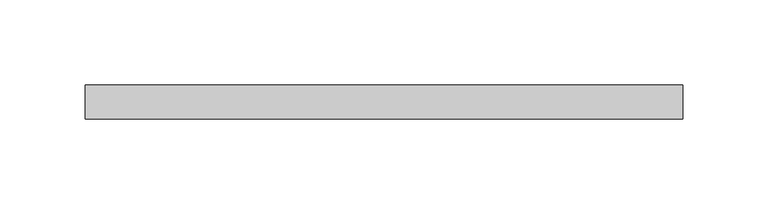
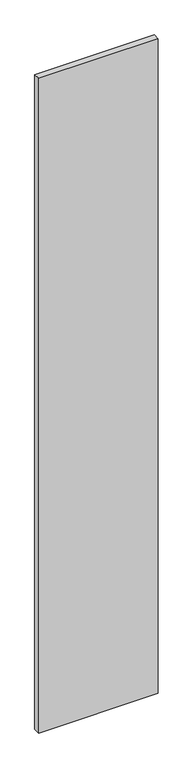
"""IFC4 building model written with IfcOpenShell, lengths in millimetres: plate geometry."""

from ifc_helpers import new_model, si_unit, origin, origin_with_axes, place, context, project, spatial, polyline, outline, extrude, source, transform, mapped, element, save


def plate_407922e7(model_context):
    return source(origin(), model_context, "Body", "SweptSolid", [
        extrude(outline(polyline([(175.0, 20.0), (-175.0, 20.0), (-175.0, 40.0), (175.0, 40.0), (175.0, 20.0)])), origin_with_axes(), (0.0, 0.0, 1.0), 2025.0),
    ])


if __name__ == "__main__":
    model = new_model("IFC4")
    model_context = context("Model", 3, world=origin())
    ifc_project = project(units=[si_unit("LENGTHUNIT", "METRE", prefix="MILLI")], contexts=[model_context])
    site = spatial("IfcSite", under=ifc_project)
    building = spatial("IfcBuilding", under=site)
    placement = place(None, origin())
    plate_shape = plate_407922e7(model_context)
    element("IfcPlate", 1, at=placement, inside=building, context=model_context, shape_type="MappedRepresentation", body=[
        mapped(plate_shape, transform((0.0, 0.0, 0.0), x_axis=(1.0, 0.0, 0.0), y_axis=(0.0, 1.0, 0.0), z_axis=(0.0, 0.0, 1.0))),
    ])
    save(model, "model.ifc")
